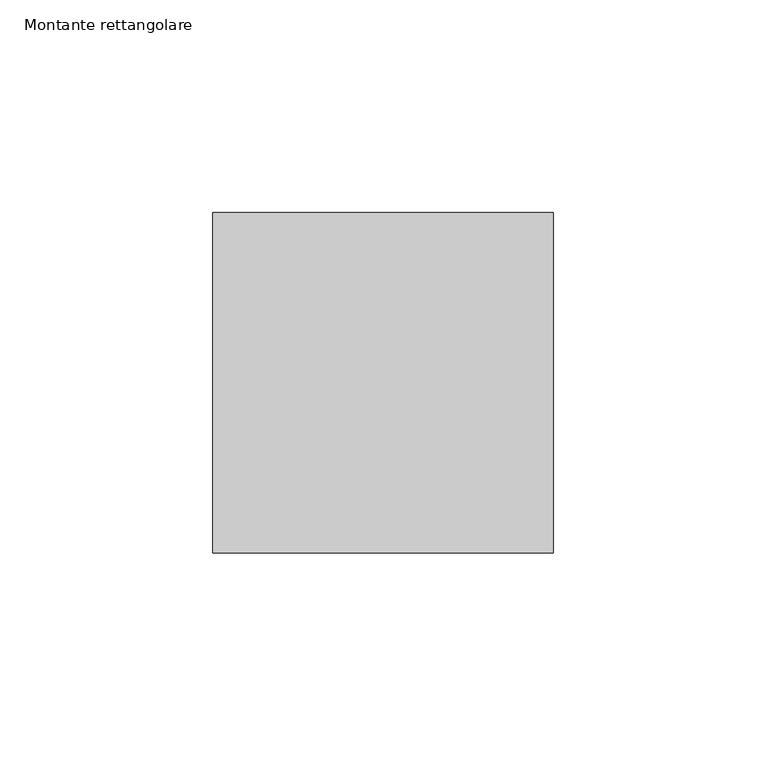
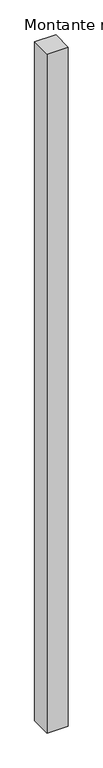
"""IFC4 building model written with IfcOpenShell, lengths in millimetres: member geometry, Montante rettangolare."""

from ifc_helpers import new_model, si_unit, frame, origin, place, context, project, spatial, polyline, outline, extrude, source, transform, mapped, element, save


def montante_rettangolare_6746362c(model_context):
    return source(origin(), model_context, "Body", "SweptSolid", [
        extrude(outline(polyline([(0.0, 40.0), (0.0, -40.0), (-80.0, -40.0), (-80.0, 40.0), (0.0, 40.0)])), frame((0.0, 0.0, -2720.0), z_axis=(0.0, 0.0, 1.0), x_axis=(1.0, 0.0, 0.0)), (0.0, 0.0, 1.0), 2720.0),
    ])


if __name__ == "__main__":
    model = new_model("IFC4")
    model_context = context("Model", 3, world=origin())
    ifc_project = project(units=[si_unit("LENGTHUNIT", "METRE", prefix="MILLI")], contexts=[model_context])
    site = spatial("IfcSite", under=ifc_project)
    building = spatial("IfcBuilding", under=site)
    placement = place(None, origin())
    montante_rettangolare_shape = montante_rettangolare_6746362c(model_context)
    element("IfcMember", 1, ObjectType="Montante rettangolare", at=placement, inside=building, context=model_context, shape_type="MappedRepresentation", body=[
        mapped(montante_rettangolare_shape, transform((0.0, 0.0, 0.0), x_axis=(1.0, 0.0, 0.0), y_axis=(0.0, 1.0, 0.0), z_axis=(0.0, 0.0, 1.0))),
    ])
    save(model, "model.ifc")
